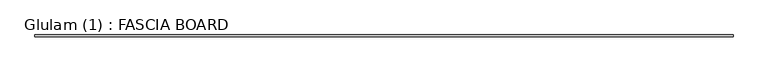
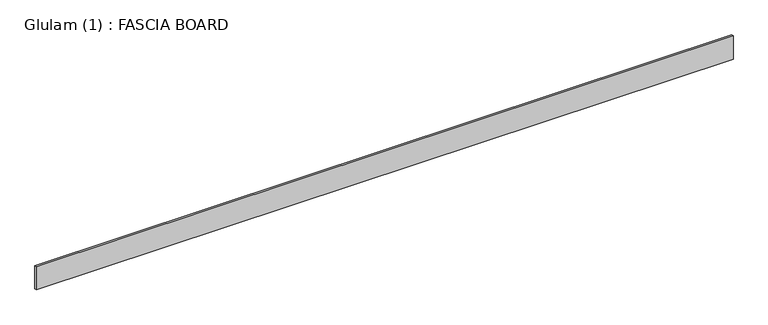
"""IFC4 building model written with IfcOpenShell, lengths in millimetres: beam geometry, Glulam (1) : FASCIA BOARD."""

from ifc_helpers import new_model, si_unit, frame, origin, place, context, project, spatial, polyline, outline, extrude, source, transform, mapped, element, save


def glulam_1_fascia_board_ddef74ed(model_context):
    return source(origin(), model_context, "Body", "SweptSolid", [
        extrude(outline(polyline([(4964.5306292, 12.5), (4964.5306292, -12.5), (-4204.4693708, -12.5), (-4204.4693708, 12.5), (4964.5306292, 12.5)])), frame((0.0, 0.0, -160.8), z_axis=(0.0, 0.0, 1.0), x_axis=(1.0, 0.0, 0.0)), (0.0, 0.0, 1.0), 321.6),
    ])


if __name__ == "__main__":
    model = new_model("IFC4")
    model_context = context("Model", 3, world=origin())
    ifc_project = project(units=[si_unit("LENGTHUNIT", "METRE", prefix="MILLI")], contexts=[model_context])
    site = spatial("IfcSite", under=ifc_project)
    building = spatial("IfcBuilding", under=site)
    placement = place(None, origin())
    glulam_1_fascia_board_shape = glulam_1_fascia_board_ddef74ed(model_context)
    element("IfcBeam", 1, ObjectType="Glulam (1) : FASCIA BOARD", at=placement, inside=building, context=model_context, shape_type="MappedRepresentation", body=[
        mapped(glulam_1_fascia_board_shape, transform((0.0, 0.0, 0.0), x_axis=(1.0, 0.0, 0.0), y_axis=(0.0, 1.0, 0.0), z_axis=(0.0, 0.0, 1.0))),
    ])
    save(model, "model.ifc")
